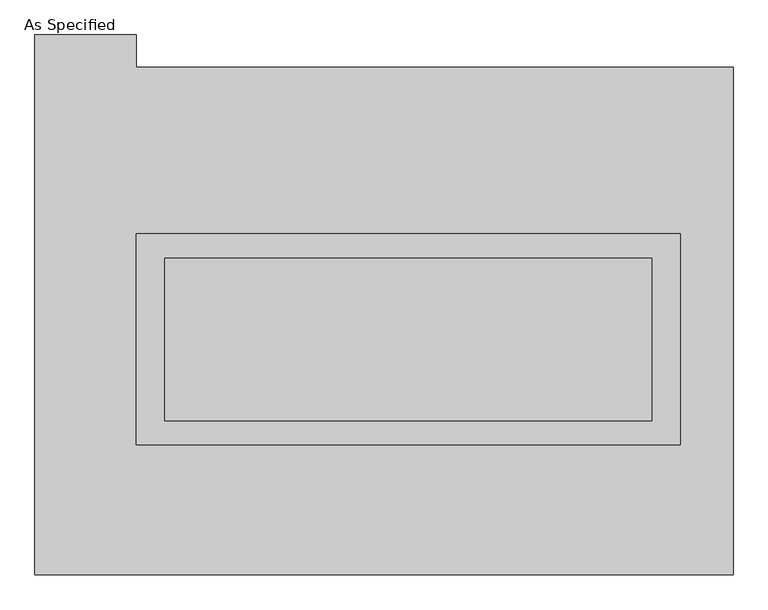
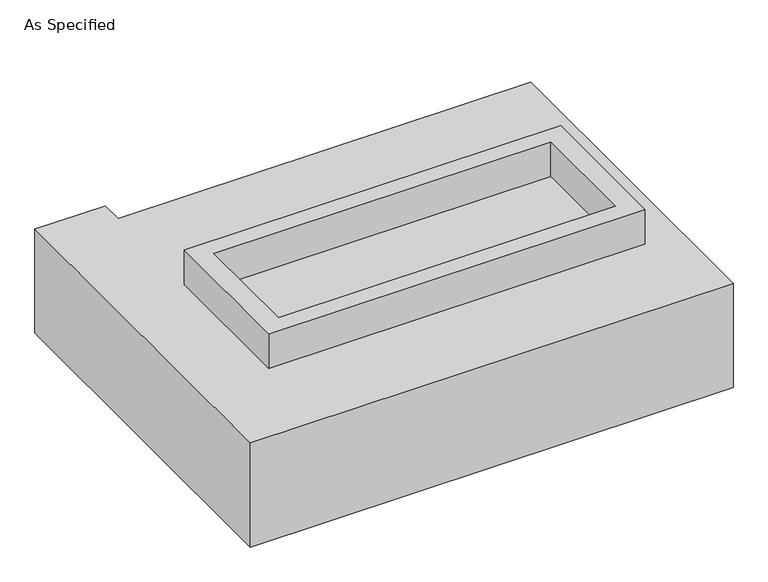
"""IFC4 building model written with IfcOpenShell, lengths in millimetres: proxy geometry, As Specified."""

from ifc_helpers import new_model, si_unit, frame, origin, place, context, project, spatial, polyline, outline, extrude, faceted_brep, source, transform, mapped, element, save


def as_specified_9e8813c1(model_context):
    return source(origin(), model_context, "Body", "SolidModel", [
        extrude(outline(polyline([(850.9, 273.05), (850.9, -387.35), (-850.9, -387.35), (-850.9, 273.05), (850.9, 273.05)]), holes=[polyline([(762.0, 196.85), (-762.0, 196.85), (-762.0, -311.15), (762.0, -311.15), (762.0, 196.85)])]), frame((0.0, 0.0, -25.4), z_axis=(0.0, 0.0, 1.0), x_axis=(1.0, 0.0, 0.0)), (0.0, 0.0, 1.0), 165.1),
        extrude(outline(polyline([(762.0, 196.85), (762.0, -311.15), (-762.0, -311.15), (-762.0, 196.85), (762.0, 196.85)])), frame((0.0, 0.0, -30.3609375), z_axis=(0.0, 0.0, 1.0), x_axis=(1.0, 0.0, 0.0)), (0.0, 0.0, 1.0), 4.9609375),
        faceted_brep([(1016.0, -793.75, -523.875), (-1168.4, -793.75, -523.875), (-1168.4, 895.35, -523.875), (-850.9, 895.35, -523.875), (-850.9, 793.75, -523.875), (1016.0, 793.75, -523.875), (-1168.4, -793.75, -25.4), (1016.0, -793.75, -25.4), (1016.0, 793.75, -25.4), (-850.9, 793.75, -25.4), (-850.9, 895.35, -25.4), (-1168.4, 895.35, -25.4), (-850.9, -387.35, -25.4), (-850.9, 273.05, -25.4), (850.9, 273.05, -25.4), (850.9, -387.35, -25.4), (850.9, 273.05, -498.475), (-850.9, 273.05, -498.475), (-850.9, -387.35, -498.475), (850.9, -387.35, -498.475)], [[[0, 1, 2, 3, 4, 5]], [[6, 7, 8, 9, 10, 11], [12, 13, 14, 15]], [[8, 5, 4, 9]], [[2, 1, 6, 11]], [[5, 8, 7, 0]], [[16, 17, 18, 19]], [[18, 17, 13, 12]], [[17, 16, 14, 13]], [[16, 19, 15, 14]], [[12, 15, 19, 18]], [[1, 0, 7, 6]], [[4, 3, 10, 9]], [[3, 2, 11, 10]]]),
    ])


if __name__ == "__main__":
    model = new_model("IFC4")
    model_context = context("Model", 3, world=origin())
    ifc_project = project(units=[si_unit("LENGTHUNIT", "METRE", prefix="MILLI")], contexts=[model_context])
    site = spatial("IfcSite", under=ifc_project)
    building = spatial("IfcBuilding", under=site)
    placement = place(None, origin())
    as_specified_shape = as_specified_9e8813c1(model_context)
    element("IfcBuildingElementProxy", 1, Name="As Specified", ObjectType="As Specified", at=placement, inside=building, context=model_context, shape_type="MappedRepresentation", body=[
        mapped(as_specified_shape, transform((0.0, 0.0, 0.0), x_axis=(1.0, 0.0, 0.0), y_axis=(0.0, 1.0, 0.0), z_axis=(0.0, 0.0, 1.0))),
    ])
    save(model, "model.ifc")
